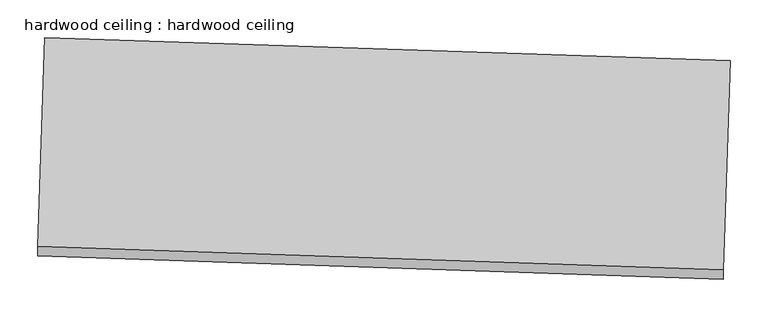
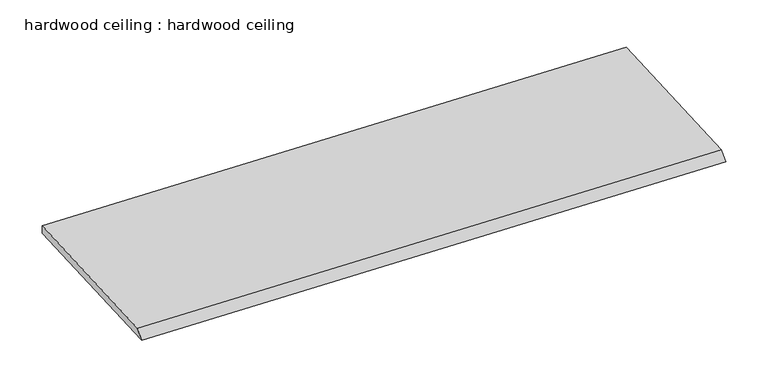
"""IFC4 building model written with IfcOpenShell, lengths in millimetres: proxy geometry, hardwood ceiling : hardwood ceiling."""

import ifcopenshell
import ifcopenshell.guid

model = None  # the IFC model being written
_history = None  # IfcOwnerHistory: only IFC2X3 demands one
_inside = {}  # id of a spatial element -> (the spatial element, [elements in it])
_under = {}  # id of a project, library or spatial element -> (it, [spatial elements below it])
_declared = {}  # id of a project -> (the project, [libraries it declares])
_typed = {}  # id of a type object -> (the type object, [elements of that type])
_made_of = {}  # id of a material, layer set ... -> (it, [elements and type objects made of it])


def new_model(schema):
    """Start an empty IFC model of exactly this schema.

    Asked for "IFC4X3", IfcOpenShell would pick the latest addendum, in which some entities
    have other attributes; the version numbers below select the first issue.
    IFC2X3 requires an IfcOwnerHistory on every rooted entity: one is made here for all.
    """
    global model, _history
    if schema == "IFC4X3":
        model = ifcopenshell.file(schema_version=(4, 3, 0, 0))
    else:
        model = ifcopenshell.file(schema=schema)
    _inside.clear()
    _under.clear()
    _declared.clear()
    _typed.clear()
    _made_of.clear()
    _history = None
    if model.schema == "IFC2X3":
        org = make("IfcOrganization", Name="unknown")
        user = make(
            "IfcPersonAndOrganization",
            ThePerson=make("IfcPerson", FamilyName="unknown"),
            TheOrganization=org,
        )
        app = make(
            "IfcApplication",
            ApplicationDeveloper=org,
            Version="unknown",
            ApplicationFullName="unknown",
            ApplicationIdentifier="unknown",
        )
        _history = make(
            "IfcOwnerHistory",
            OwningUser=user,
            OwningApplication=app,
            ChangeAction="ADDED",
            CreationDate=0,
        )
    return model


def make(cls, **values):
    """One entity of the class cls with the attributes given. An attribute that is None is left unset."""
    return model.create_entity(
        cls, **{name: value for name, value in values.items() if value is not None}
    )


def rooted(cls, **values):
    """An entity with a GlobalId (a new one), such as an element, a storey or a relation."""
    return make(cls, GlobalId=ifcopenshell.guid.new(), OwnerHistory=_history, **values)


def si_unit(unit_type, name, prefix=None):
    """IfcSIUnit, for example si_unit("LENGTHUNIT", "METRE", prefix="MILLI")."""
    return make("IfcSIUnit", UnitType=unit_type, Prefix=prefix, Name=name)


def assignment(units):
    """IfcUnitAssignment: the units of a project."""
    return None if units is None else make("IfcUnitAssignment", Units=units)


def point(xyz):
    """IfcCartesianPoint."""
    return None if xyz is None else make("IfcCartesianPoint", Coordinates=xyz)


def direction(xyz):
    """IfcDirection."""
    return None if xyz is None else make("IfcDirection", DirectionRatios=xyz)


def frame(location, z_axis=None, x_axis=None):
    """IfcAxis2Placement3D, a coordinate frame: its origin and axes. An axis left out is left unset."""
    return make(
        "IfcAxis2Placement3D",
        Location=point(location),
        Axis=direction(z_axis),
        RefDirection=direction(x_axis),
    )


def origin():
    """The frame at (0, 0, 0) with its axes left unset."""
    return frame((0.0, 0.0, 0.0))


def place(relative_to, where):
    """IfcLocalPlacement: puts the frame where relative to a parent placement (None: the world)."""
    return make(
        "IfcLocalPlacement", PlacementRelTo=relative_to, RelativePlacement=where
    )


def context(
    kind, dimensions, precision=None, world=None, true_north=None, identifier=None
):
    """IfcGeometricRepresentationContext, for example the 3D "Model" context."""
    return make(
        "IfcGeometricRepresentationContext",
        ContextIdentifier=identifier,
        ContextType=kind,
        CoordinateSpaceDimension=dimensions,
        Precision=precision,
        WorldCoordinateSystem=world,
        TrueNorth=true_north,
    )


def project(units=None, contexts=None):
    """IfcProject with its units and contexts."""
    return rooted(
        "IfcProject",
        Name="project",
        RepresentationContexts=contexts,
        UnitsInContext=assignment(units),
    )


def spatial(cls, under=None, at=None, **own):
    """A site, building, storey or space (cls), placed at a placement, below another one or the project."""
    s = rooted(cls, ObjectPlacement=at, **own)
    if under is not None:
        _under.setdefault(under.id(), (under, []))[1].append(s)
    return s


def polyline(points):
    """IfcPolyline through the points."""
    return make("IfcPolyline", Points=[point(p) for p in points])


def outline(outer, holes=None, kind="AREA"):
    """IfcArbitraryClosedProfileDef: a profile drawn as a closed curve; with holes, ...WithVoids."""
    if holes is None:
        return make("IfcArbitraryClosedProfileDef", ProfileType=kind, OuterCurve=outer)
    return make(
        "IfcArbitraryProfileDefWithVoids",
        ProfileType=kind,
        OuterCurve=outer,
        InnerCurves=holes,
    )


def extrude(swept, where, along, depth):
    """IfcExtrudedAreaSolid: the profile swept, set in the frame where, extruded along a direction by depth."""
    return make(
        "IfcExtrudedAreaSolid",
        SweptArea=swept,
        Position=where,
        ExtrudedDirection=direction(along),
        Depth=depth,
    )


def shape(context_of_items, identifier, shape_type, items):
    """IfcShapeRepresentation: the items that make up one representation, for example the "Body"."""
    return make(
        "IfcShapeRepresentation",
        ContextOfItems=context_of_items,
        RepresentationIdentifier=identifier,
        RepresentationType=shape_type,
        Items=items,
    )


def source(mapping_origin, context_of_items, identifier, shape_type, items):
    """IfcRepresentationMap: a shape defined once, which mapped items show again and again."""
    return make(
        "IfcRepresentationMap",
        MappingOrigin=mapping_origin,
        MappedRepresentation=shape(context_of_items, identifier, shape_type, items),
    )


def transform(
    local_origin,
    x_axis=None,
    y_axis=None,
    z_axis=None,
    scale=None,
    scale2=None,
    scale3=None,
    uniform=True,
):
    """IfcCartesianTransformationOperator3D, or its non-uniform kind. x_axis, y_axis, z_axis: its Axis1, 2, 3."""
    if uniform:
        return make(
            "IfcCartesianTransformationOperator3D",
            Axis1=direction(x_axis),
            Axis2=direction(y_axis),
            LocalOrigin=point(local_origin),
            Scale=scale,
            Axis3=direction(z_axis),
        )
    return make(
        "IfcCartesianTransformationOperator3DnonUniform",
        Axis1=direction(x_axis),
        Axis2=direction(y_axis),
        LocalOrigin=point(local_origin),
        Scale=scale,
        Axis3=direction(z_axis),
        Scale2=scale2,
        Scale3=scale3,
    )


def mapped(mapping_source, mapping_target):
    """IfcMappedItem: shows the shape of a source again, moved by a transform."""
    return make(
        "IfcMappedItem", MappingSource=mapping_source, MappingTarget=mapping_target
    )


def made_of(thing, what):
    """Note that an element or type object is made of a material, layer set ...; save() writes the relation."""
    if what is not None:
        _made_of.setdefault(what.id(), (what, []))[1].append(thing)
    return thing


def element(
    cls,
    number,
    at=None,
    inside=None,
    cuts=None,
    type_object=None,
    material=None,
    context=None,
    identifier="Body",
    shape_type=None,
    held_by="IfcProductDefinitionShape",
    body=None,
    shapes=None,
    **own,
):
    """One element of the class cls, such as IfcWall. Its Tag is "e" and its number.

    at: its placement. inside: the storey or other place that contains it. cuts: it is an
    opening in that element (IfcRelVoidsElement). A single representation is given by context,
    identifier, shape_type and body (its items); several are given by shapes. held_by: the class
    of the entity that holds the representations. save() writes the other relations.
    """
    e = rooted(cls, Tag="e%d" % number, ObjectPlacement=at, **own)
    if body is not None:
        shapes = [shape(context, identifier, shape_type, body)]
    if shapes is not None:
        e.Representation = make(held_by, Representations=shapes)
    if inside is not None:
        _inside.setdefault(inside.id(), (inside, []))[1].append(e)
    if cuts is not None:
        rooted(
            "IfcRelVoidsElement", RelatingBuildingElement=cuts, RelatedOpeningElement=e
        )
    if type_object is not None:
        _typed.setdefault(type_object.id(), (type_object, []))[1].append(e)
    return made_of(e, material)


def aggregate(whole, parts):
    """IfcRelAggregates: a whole, such as a stair, and the parts it consists of."""
    return rooted("IfcRelAggregates", RelatingObject=whole, RelatedObjects=parts)


def save(model, path):
    """Write the relations noted so far, then the file.

    IfcRelAggregates (storeys below a building ...), IfcRelContainedInSpatialStructure (elements
    in a storey), IfcRelDefinesByType, IfcRelAssociatesMaterial and IfcRelDeclares: one each for
    every whole, place, type object, material and project.
    """
    for whole, parts in _under.values():
        aggregate(whole, parts)
    for where, things in _inside.values():
        rooted(
            "IfcRelContainedInSpatialStructure",
            RelatedElements=things,
            RelatingStructure=where,
        )
    for kind, things in _typed.values():
        rooted("IfcRelDefinesByType", RelatedObjects=things, RelatingType=kind)
    for what, things in _made_of.values():
        rooted("IfcRelAssociatesMaterial", RelatedObjects=things, RelatingMaterial=what)
    for by, libraries in _declared.values():
        rooted("IfcRelDeclares", RelatingContext=by, RelatedDefinitions=libraries)
    model.write(path)


def hardwood_ceiling_hardwood_ceiling_7069083b(model_context):
    return source(origin(), model_context, "Body", "SweptSolid", [
        extrude(outline(polyline([(-279.4455101, 0.0), (0.0, 0.0), (12.6548302, -12.6548302), (-279.4455101, -12.6548302), (-279.4455101, 0.0)])), frame((34292.1521999, -17294.5519172, 2984.4857168), z_axis=(-0.9994149479235179, 0.03420178163534811, 0.0), x_axis=(-0.03420178163534811, -0.9994149479235179, 0.0)), (0.0, 0.0, 1.0), 914.4),
    ])


if __name__ == "__main__":
    model = new_model("IFC4")
    model_context = context("Model", 3, world=origin())
    ifc_project = project(units=[si_unit("LENGTHUNIT", "METRE", prefix="MILLI")], contexts=[model_context])
    site = spatial("IfcSite", under=ifc_project)
    building = spatial("IfcBuilding", under=site)
    placement = place(None, origin())
    hardwood_ceiling_hardwood_ceiling_shape = hardwood_ceiling_hardwood_ceiling_7069083b(model_context)
    element("IfcBuildingElementProxy", 1, Name="hardwood ceiling : hardwood ceiling", ObjectType="hardwood ceiling : hardwood ceiling", at=placement, inside=building, context=model_context, shape_type="MappedRepresentation", body=[
        mapped(hardwood_ceiling_hardwood_ceiling_shape, transform((0.0, 0.0, 0.0), x_axis=(1.0, 0.0, 0.0), y_axis=(0.0, 1.0, 0.0), z_axis=(0.0, 0.0, 1.0))),
    ])
    save(model, "model.ifc")
